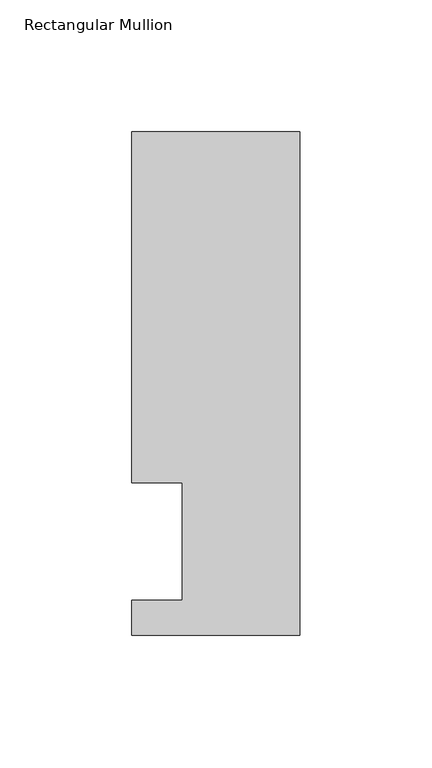
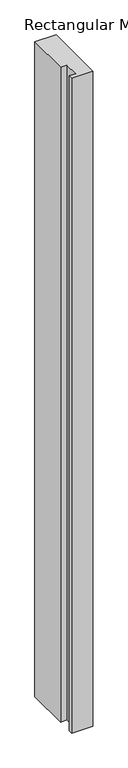
"""IFC4 building model written with IfcOpenShell, lengths in millimetres: member geometry, Rectangular Mullion."""

from ifc_helpers import new_model, si_unit, frame, origin, place, context, project, spatial, polyline, outline, extrude, source, transform, mapped, element, save


def rectangular_mullion_de3a8a87(model_context):
    return source(origin(), model_context, "Body", "SweptSolid", [
        extrude(outline(polyline([(-31.75, 57.6460938), (-31.75, 190.5896938), (31.75, 190.5896938), (31.75, 0.0134938), (-31.75, 0.0134938), (-31.75, 13.1960938), (-12.7, 13.1960938), (-12.7, 57.6460937), (-31.75, 57.6460938)])), frame((0.0, 0.0, -2070.1), z_axis=(0.0, 0.0, 1.0), x_axis=(1.0, 0.0, 0.0)), (0.0, 0.0, 1.0), 2070.1),
    ])


if __name__ == "__main__":
    model = new_model("IFC4")
    model_context = context("Model", 3, world=origin())
    ifc_project = project(units=[si_unit("LENGTHUNIT", "METRE", prefix="MILLI")], contexts=[model_context])
    site = spatial("IfcSite", under=ifc_project)
    building = spatial("IfcBuilding", under=site)
    placement = place(None, origin())
    rectangular_mullion_shape = rectangular_mullion_de3a8a87(model_context)
    element("IfcMember", 1, ObjectType="Rectangular Mullion", at=placement, inside=building, context=model_context, shape_type="MappedRepresentation", body=[
        mapped(rectangular_mullion_shape, transform((0.0, 0.0, 0.0), x_axis=(1.0, 0.0, 0.0), y_axis=(0.0, 1.0, 0.0), z_axis=(0.0, 0.0, 1.0))),
    ])
    save(model, "model.ifc")
